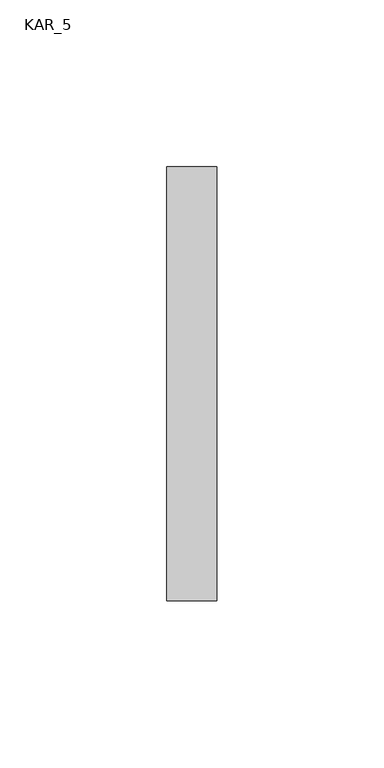
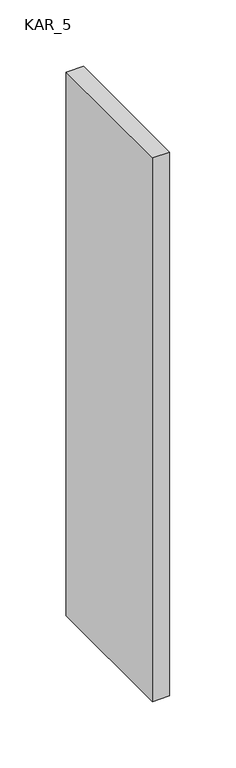
"""IFC4 building model written with IfcOpenShell, lengths in millimetres: proxy geometry, KAR_5."""

from ifc_helpers import new_model, si_unit, frame, origin, place, context, project, spatial, polyline, outline, extrude, source, transform, mapped, element, save


def kar_5_3523bc5d(model_context):
    return source(origin(), model_context, "Body", "SweptSolid", [
        extrude(outline(polyline([(15.0, 130.0), (15.0, 0.0), (0.0, 0.0), (0.0, 130.0), (15.0, 130.0)])), frame((0.0, 0.0, 1800.0), z_axis=(0.0, 0.0, 1.0), x_axis=(1.0, 0.0, 0.0)), (0.0, 0.0, 1.0), 500.0),
    ])


if __name__ == "__main__":
    model = new_model("IFC4")
    model_context = context("Model", 3, world=origin())
    ifc_project = project(units=[si_unit("LENGTHUNIT", "METRE", prefix="MILLI")], contexts=[model_context])
    site = spatial("IfcSite", under=ifc_project)
    building = spatial("IfcBuilding", under=site)
    placement = place(None, origin())
    kar_5_shape = kar_5_3523bc5d(model_context)
    element("IfcBuildingElementProxy", 1, Name="KAR_5", ObjectType="KAR_5", at=placement, inside=building, context=model_context, shape_type="MappedRepresentation", body=[
        mapped(kar_5_shape, transform((0.0, 0.0, 0.0), x_axis=(1.0, 0.0, 0.0), y_axis=(0.0, 1.0, 0.0), z_axis=(0.0, 0.0, 1.0))),
    ])
    save(model, "model.ifc")
